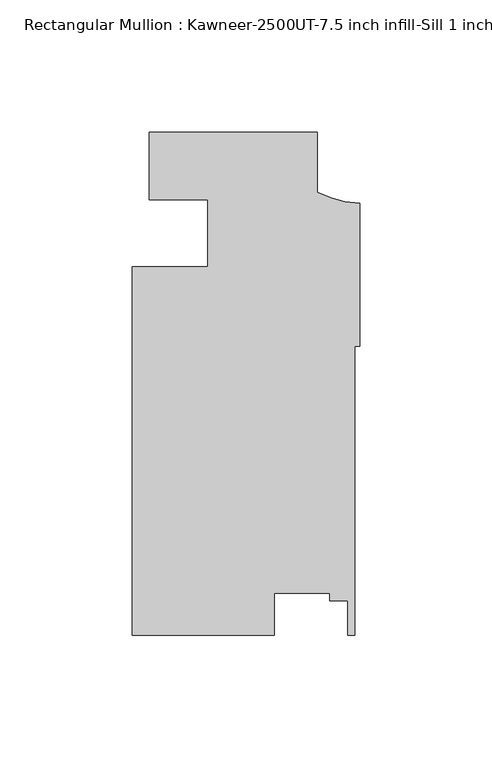
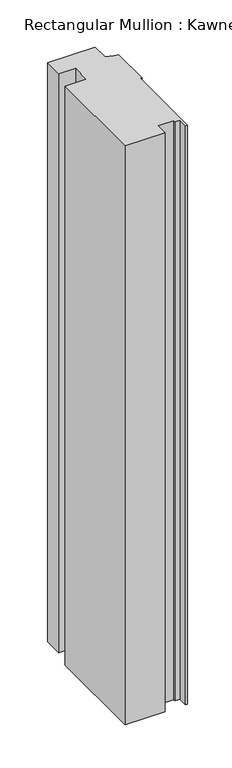
"""IFC4 building model written with IfcOpenShell, lengths in millimetres: member geometry, Rectangular Mullion : Kawneer-2500UT-7.5 inch infill-Sill 1 inch infill."""

from ifc_helpers import new_model, si_unit, point, frame, frame_2d, origin, place, context, project, spatial, polyline, circle_curve, trimmed, segment, composite_curve, outline, extrude, source, transform, mapped, element, save


def rectangular_mullion_kawneer_2500ut_7_5_inch_infill_sill_1_e1fcd84e(model_context):
    return source(origin(), model_context, "Body", "SweptSolid", [
        extrude(outline(composite_curve([segment(polyline([(-79.4905696, 0.0), (-15.9746946, 0.0), (-15.9746946, -22.5616971)]), True, "CONTINUOUS"), segment(trimmed(circle_curve(frame_2d((1.9580191, 12.5649275)), 39.4393455), [point((-15.9746946, -22.5616971))], [point((0.0, -26.8257838))], True, "CARTESIAN"), True, "CONTINUOUS"), segment(polyline([(0.0, -26.8257838), (0.0, -80.856141), (-1.8773984, -80.856141), (-1.8773984, -190.007875), (-4.4208709, -190.007875), (-4.4208709, -176.9640758), (-11.2788707, -176.9640758), (-11.2788707, -174.1094705), (-32.2255199, -174.1094705), (-32.2255199, -190.007875), (-85.8405696, -190.007875), (-85.8405696, -50.8163275), (-57.2655696, -50.8157457), (-57.2655696, -25.7335077)]), True, "CONTINUOUS"), segment(trimmed(circle_curve(frame_2d((-75.1898178, -486.4236947)), 461.0387479), [point((-57.2655696, -25.7335077))], [point((-79.4905696, -25.4050068))], True, "CARTESIAN"), True, "CONTINUOUS"), segment(polyline([(-79.4905696, -25.4050068), (-79.4905696, 0.0)]), True, "CONTINUOUS")], self_intersect=False)), frame((0.0, 0.0, -819.149997), z_axis=(0.0, 0.0, 1.0), x_axis=(1.0, 0.0, 0.0)), (0.0, 0.0, 1.0), 819.149997),
    ])


if __name__ == "__main__":
    model = new_model("IFC4")
    model_context = context("Model", 3, world=origin())
    ifc_project = project(units=[si_unit("LENGTHUNIT", "METRE", prefix="MILLI")], contexts=[model_context])
    site = spatial("IfcSite", under=ifc_project)
    building = spatial("IfcBuilding", under=site)
    placement = place(None, origin())
    rectangular_mullion_kawneer_2500ut_7_5_inch_infill_sill_1_shape = rectangular_mullion_kawneer_2500ut_7_5_inch_infill_sill_1_e1fcd84e(model_context)
    element("IfcMember", 1, ObjectType="Rectangular Mullion : Kawneer-2500UT-7.5 inch infill-Sill 1 inch infill", at=placement, inside=building, context=model_context, shape_type="MappedRepresentation", body=[
        mapped(rectangular_mullion_kawneer_2500ut_7_5_inch_infill_sill_1_shape, transform((0.0, 0.0, 0.0), x_axis=(1.0, 0.0, 0.0), y_axis=(0.0, 1.0, 0.0), z_axis=(0.0, 0.0, 1.0))),
    ])
    save(model, "model.ifc")
